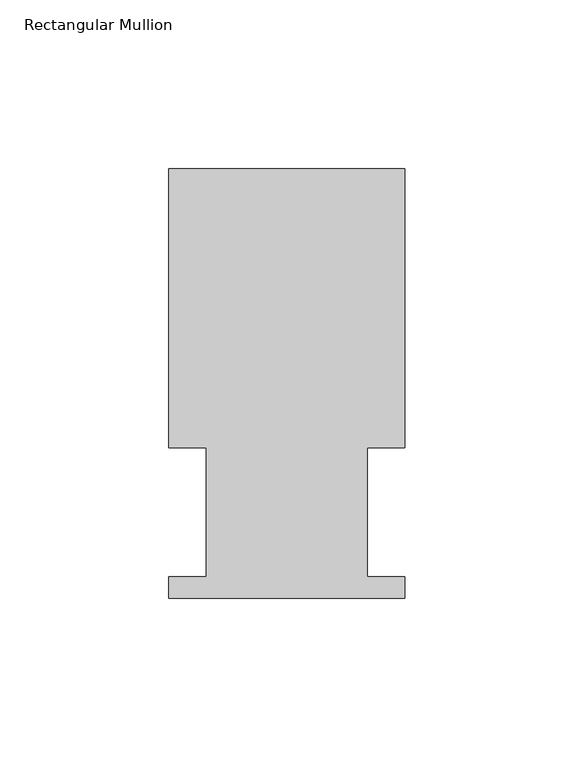
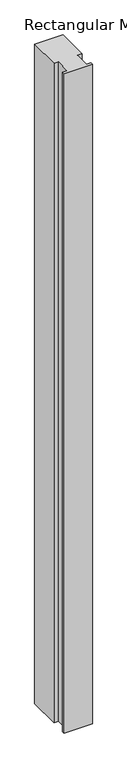
"""IFC4 building model written with IfcOpenShell, lengths in millimetres: member geometry, Rectangular Mullion."""

from ifc_helpers import new_model, si_unit, frame, origin, place, context, project, spatial, polyline, outline, extrude, source, transform, mapped, element, save


def rectangular_mullion_91c2b17d(model_context):
    return source(origin(), model_context, "Body", "SweptSolid", [
        extrude(outline(polyline([(34.925, 127.0), (34.925, 44.45), (23.8125, 44.45), (23.8125, 6.35), (34.925, 6.35), (34.925, 0.0), (-34.925, 0.0), (-34.925, 6.35), (-23.8125, 6.35), (-23.8125, 44.45), (-34.925, 44.45), (-34.925, 127.0), (34.925, 127.0)])), frame((0.0, 0.0, -1733.55), z_axis=(0.0, 0.0, 1.0), x_axis=(1.0, 0.0, 0.0)), (0.0, 0.0, 1.0), 1733.55),
    ])


if __name__ == "__main__":
    model = new_model("IFC4")
    model_context = context("Model", 3, world=origin())
    ifc_project = project(units=[si_unit("LENGTHUNIT", "METRE", prefix="MILLI")], contexts=[model_context])
    site = spatial("IfcSite", under=ifc_project)
    building = spatial("IfcBuilding", under=site)
    placement = place(None, origin())
    rectangular_mullion_shape = rectangular_mullion_91c2b17d(model_context)
    element("IfcMember", 1, ObjectType="Rectangular Mullion", at=placement, inside=building, context=model_context, shape_type="MappedRepresentation", body=[
        mapped(rectangular_mullion_shape, transform((0.0, 0.0, 0.0), x_axis=(1.0, 0.0, 0.0), y_axis=(0.0, 1.0, 0.0), z_axis=(0.0, 0.0, 1.0))),
    ])
    save(model, "model.ifc")
